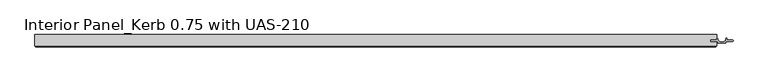
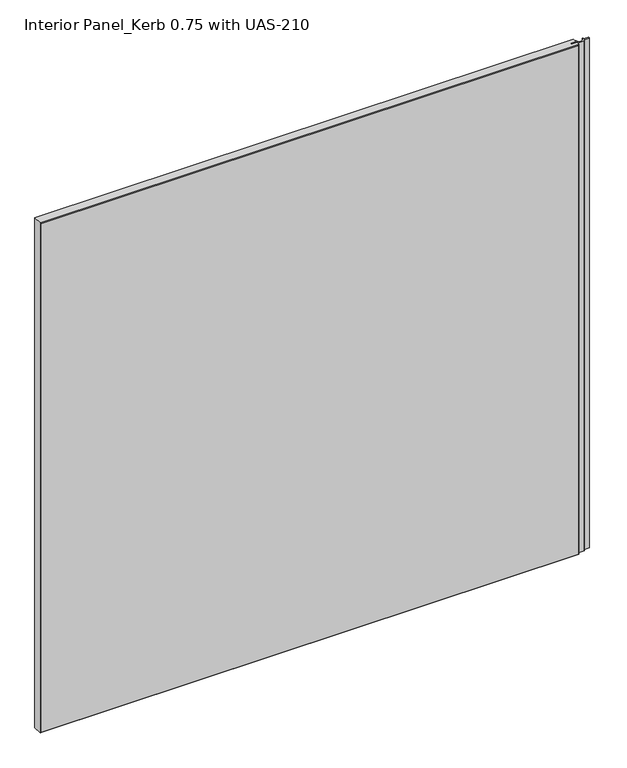
"""IFC4 building model written with IfcOpenShell, lengths in millimetres: proxy geometry, Interior Panel_Kerb 0.75 with UAS-210."""

from ifc_helpers import new_model, si_unit, point, frame_2d, origin, origin_with_axes, place, context, project, spatial, polyline, circle_curve, trimmed, segment, composite_curve, outline, extrude, faceted_brep, source, transform, mapped, element, save


def interior_panel_kerb_0_75_with_uas_210_e749b74b(model_context):
    return source(origin(), model_context, "Body", "SolidModel", [
        extrude(outline(composite_curve([segment(trimmed(circle_curve(frame_2d((246.85625, -3.1162079)), 0.79375), [point((246.0625, -3.1162079))], [point((247.65, -3.1162079))], False, "CARTESIAN"), True, "CONTINUOUS"), segment(polyline([(247.65, -3.1162079), (247.65, -5.2832), (256.3749, -5.2832)]), True, "CONTINUOUS"), segment(trimmed(circle_curve(frame_2d((256.045929, -6.35)), 1.116371), [point((256.3749, -5.2832))], [point((256.3749, -7.4168))], False, "CARTESIAN"), True, "CONTINUOUS"), segment(polyline([(256.3749, -7.4168), (246.0625, -7.4168), (246.0625, -9.5395647)]), True, "CONTINUOUS"), segment(trimmed(circle_curve(frame_2d((245.4577795, -9.5395647)), 0.6047205), [point((246.0625, -9.5395647))], [point((245.4577795, -10.1442852))], False, "CARTESIAN"), True, "CONTINUOUS"), segment(polyline([(245.4577795, -10.1442852), (233.9672205, -10.1442852)]), True, "CONTINUOUS"), segment(trimmed(circle_curve(frame_2d((233.9672205, -9.5395647)), 0.6047205), [point((233.9672205, -10.1442852))], [point((233.3625, -9.5395647))], False, "CARTESIAN"), True, "CONTINUOUS"), segment(polyline([(233.3625, -9.5395647), (233.3625, -7.4168), (223.0501, -7.4168)]), True, "CONTINUOUS"), segment(trimmed(circle_curve(frame_2d((223.379071, -6.35)), 1.116371), [point((223.0501, -7.4168))], [point((223.0501, -5.2832))], False, "CARTESIAN"), True, "CONTINUOUS"), segment(polyline([(223.0501, -5.2832), (231.775, -5.2832), (231.775, -3.1162079)]), True, "CONTINUOUS"), segment(trimmed(circle_curve(frame_2d((232.56875, -3.1162079)), 0.79375), [point((231.775, -3.1162079))], [point((233.3625, -3.1162079))], False, "CARTESIAN"), True, "CONTINUOUS"), segment(polyline([(233.3625, -3.1162079), (233.3625, -4.4361677)]), True, "CONTINUOUS"), segment(trimmed(circle_curve(frame_2d((239.7125, -1.6037025)), 6.9530827), [point((233.3625, -4.4361677))], [point((246.0625, -4.4361677))], True, "CARTESIAN"), True, "CONTINUOUS"), segment(polyline([(246.0625, -4.4361677), (246.0625, -3.1162079)]), True, "CONTINUOUS")], self_intersect=False)), origin_with_axes(), (0.0, 0.0, 1.0), 1063.625),
        faceted_brep([(231.775, 3.175, 1063.625), (-831.85, 3.175, 1063.625), (-831.85, -14.2875, 1063.625), (231.775, -14.2875, 1063.625), (231.775, -7.4168, 1063.625), (221.9523438, -7.4168, 1063.625), (221.9523438, -5.2832, 1063.625), (231.775, -5.2832, 1063.625), (231.775, 3.175, 0.0), (231.775, -5.2832, 0.0), (221.9523438, -5.2832, 0.0), (221.9523438, -7.4168, 0.0), (231.775, -7.4168, 0.0), (231.775, -14.2875, 0.0), (-831.85, -14.2875, 0.0), (-831.85, 3.175, 0.0), (-830.2625, -15.875, 1062.0375), (-830.2625, -15.875, 1.5875), (230.1875, -15.875, 1.5875), (230.1875, -15.875, 1062.0375)], [[[0, 1, 2, 3, 4, 5, 6, 7]], [[8, 9, 10, 11, 12, 13, 14, 15]], [[1, 0, 8, 15]], [[2, 1, 15, 14]], [[16, 17, 18, 19]], [[4, 3, 13, 12]], [[2, 14, 17, 16]], [[13, 3, 19, 18]], [[3, 2, 16, 19]], [[14, 13, 18, 17]], [[5, 4, 12, 11]], [[6, 5, 11, 10]], [[7, 6, 10, 9]], [[0, 7, 9, 8]]]),
    ])


if __name__ == "__main__":
    model = new_model("IFC4")
    model_context = context("Model", 3, world=origin())
    ifc_project = project(units=[si_unit("LENGTHUNIT", "METRE", prefix="MILLI")], contexts=[model_context])
    site = spatial("IfcSite", under=ifc_project)
    building = spatial("IfcBuilding", under=site)
    placement = place(None, origin())
    interior_panel_kerb_0_75_with_uas_210_shape = interior_panel_kerb_0_75_with_uas_210_e749b74b(model_context)
    element("IfcBuildingElementProxy", 1, Name="Interior Panel_Kerb 0.75 with UAS-210", ObjectType="Interior Panel_Kerb 0.75 with UAS-210", at=placement, inside=building, context=model_context, shape_type="MappedRepresentation", body=[
        mapped(interior_panel_kerb_0_75_with_uas_210_shape, transform((0.0, 0.0, 0.0), x_axis=(1.0, 0.0, 0.0), y_axis=(0.0, 1.0, 0.0), z_axis=(0.0, 0.0, 1.0))),
    ])
    save(model, "model.ifc")
